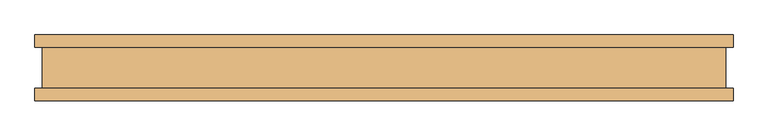
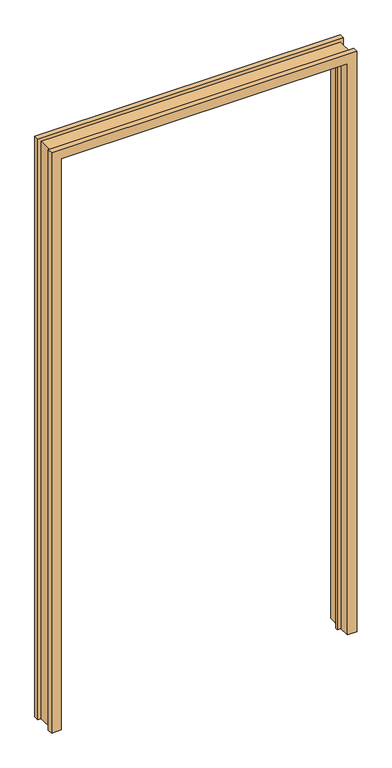
"""IFC4 building model written with IfcOpenShell, lengths in millimetres: door geometry."""

import ifcopenshell
import ifcopenshell.guid

model = None  # the IFC model being written
_history = None  # IfcOwnerHistory: only IFC2X3 demands one
_inside = {}  # id of a spatial element -> (the spatial element, [elements in it])
_under = {}  # id of a project, library or spatial element -> (it, [spatial elements below it])
_declared = {}  # id of a project -> (the project, [libraries it declares])
_typed = {}  # id of a type object -> (the type object, [elements of that type])
_made_of = {}  # id of a material, layer set ... -> (it, [elements and type objects made of it])


def new_model(schema):
    """Start an empty IFC model of exactly this schema.

    Asked for "IFC4X3", IfcOpenShell would pick the latest addendum, in which some entities
    have other attributes; the version numbers below select the first issue.
    IFC2X3 requires an IfcOwnerHistory on every rooted entity: one is made here for all.
    """
    global model, _history
    if schema == "IFC4X3":
        model = ifcopenshell.file(schema_version=(4, 3, 0, 0))
    else:
        model = ifcopenshell.file(schema=schema)
    _inside.clear()
    _under.clear()
    _declared.clear()
    _typed.clear()
    _made_of.clear()
    _history = None
    if model.schema == "IFC2X3":
        org = make("IfcOrganization", Name="unknown")
        user = make(
            "IfcPersonAndOrganization",
            ThePerson=make("IfcPerson", FamilyName="unknown"),
            TheOrganization=org,
        )
        app = make(
            "IfcApplication",
            ApplicationDeveloper=org,
            Version="unknown",
            ApplicationFullName="unknown",
            ApplicationIdentifier="unknown",
        )
        _history = make(
            "IfcOwnerHistory",
            OwningUser=user,
            OwningApplication=app,
            ChangeAction="ADDED",
            CreationDate=0,
        )
    return model


def make(cls, **values):
    """One entity of the class cls with the attributes given. An attribute that is None is left unset."""
    return model.create_entity(
        cls, **{name: value for name, value in values.items() if value is not None}
    )


def rooted(cls, **values):
    """An entity with a GlobalId (a new one), such as an element, a storey or a relation."""
    return make(cls, GlobalId=ifcopenshell.guid.new(), OwnerHistory=_history, **values)


def si_unit(unit_type, name, prefix=None):
    """IfcSIUnit, for example si_unit("LENGTHUNIT", "METRE", prefix="MILLI")."""
    return make("IfcSIUnit", UnitType=unit_type, Prefix=prefix, Name=name)


def assignment(units):
    """IfcUnitAssignment: the units of a project."""
    return None if units is None else make("IfcUnitAssignment", Units=units)


def point(xyz):
    """IfcCartesianPoint."""
    return None if xyz is None else make("IfcCartesianPoint", Coordinates=xyz)


def direction(xyz):
    """IfcDirection."""
    return None if xyz is None else make("IfcDirection", DirectionRatios=xyz)


def frame(location, z_axis=None, x_axis=None):
    """IfcAxis2Placement3D, a coordinate frame: its origin and axes. An axis left out is left unset."""
    return make(
        "IfcAxis2Placement3D",
        Location=point(location),
        Axis=direction(z_axis),
        RefDirection=direction(x_axis),
    )


def origin():
    """The frame at (0, 0, 0) with its axes left unset."""
    return frame((0.0, 0.0, 0.0))


def place(relative_to, where):
    """IfcLocalPlacement: puts the frame where relative to a parent placement (None: the world)."""
    return make(
        "IfcLocalPlacement", PlacementRelTo=relative_to, RelativePlacement=where
    )


def context(
    kind, dimensions, precision=None, world=None, true_north=None, identifier=None
):
    """IfcGeometricRepresentationContext, for example the 3D "Model" context."""
    return make(
        "IfcGeometricRepresentationContext",
        ContextIdentifier=identifier,
        ContextType=kind,
        CoordinateSpaceDimension=dimensions,
        Precision=precision,
        WorldCoordinateSystem=world,
        TrueNorth=true_north,
    )


def project(units=None, contexts=None):
    """IfcProject with its units and contexts."""
    return rooted(
        "IfcProject",
        Name="project",
        RepresentationContexts=contexts,
        UnitsInContext=assignment(units),
    )


def spatial(cls, under=None, at=None, **own):
    """A site, building, storey or space (cls), placed at a placement, below another one or the project."""
    s = rooted(cls, ObjectPlacement=at, **own)
    if under is not None:
        _under.setdefault(under.id(), (under, []))[1].append(s)
    return s


def faces_of(points, faces, orient=None, outer=None):
    """IfcFace entities. A face is a list of loops; a loop is a list of indices into points, from 0.

    orient and outer hold one flag for each loop. By default every Orientation is true, the
    first loop of a face is its IfcFaceOuterBound and the others are IfcFaceBound.
    """
    made = []
    for i, loops in enumerate(faces):
        bounds = []
        for j, loop in enumerate(loops):
            is_outer = j == 0 if outer is None else outer[i][j]
            bounds.append(
                make(
                    "IfcFaceOuterBound" if is_outer else "IfcFaceBound",
                    Bound=make("IfcPolyLoop", Polygon=[points[k] for k in loop]),
                    Orientation=True if orient is None else orient[i][j],
                )
            )
        made.append(make("IfcFace", Bounds=bounds))
    return made


def faceted_brep(points, faces, orient=None, outer=None, voids=None):
    """IfcFacetedBrep: a solid bounded by flat faces; with voids (closed shells), ...WithVoids."""
    shared = [point(p) for p in points]
    hull = make("IfcClosedShell", CfsFaces=faces_of(shared, faces, orient, outer))
    if voids is None:
        return make("IfcFacetedBrep", Outer=hull)
    return make(
        "IfcFacetedBrepWithVoids",
        Outer=hull,
        Voids=[
            make(cls, CfsFaces=faces_of(shared, fs, o, b)) for cls, fs, o, b in voids
        ],
    )


def shape(context_of_items, identifier, shape_type, items):
    """IfcShapeRepresentation: the items that make up one representation, for example the "Body"."""
    return make(
        "IfcShapeRepresentation",
        ContextOfItems=context_of_items,
        RepresentationIdentifier=identifier,
        RepresentationType=shape_type,
        Items=items,
    )


def source(mapping_origin, context_of_items, identifier, shape_type, items):
    """IfcRepresentationMap: a shape defined once, which mapped items show again and again."""
    return make(
        "IfcRepresentationMap",
        MappingOrigin=mapping_origin,
        MappedRepresentation=shape(context_of_items, identifier, shape_type, items),
    )


def transform(
    local_origin,
    x_axis=None,
    y_axis=None,
    z_axis=None,
    scale=None,
    scale2=None,
    scale3=None,
    uniform=True,
):
    """IfcCartesianTransformationOperator3D, or its non-uniform kind. x_axis, y_axis, z_axis: its Axis1, 2, 3."""
    if uniform:
        return make(
            "IfcCartesianTransformationOperator3D",
            Axis1=direction(x_axis),
            Axis2=direction(y_axis),
            LocalOrigin=point(local_origin),
            Scale=scale,
            Axis3=direction(z_axis),
        )
    return make(
        "IfcCartesianTransformationOperator3DnonUniform",
        Axis1=direction(x_axis),
        Axis2=direction(y_axis),
        LocalOrigin=point(local_origin),
        Scale=scale,
        Axis3=direction(z_axis),
        Scale2=scale2,
        Scale3=scale3,
    )


def mapped(mapping_source, mapping_target):
    """IfcMappedItem: shows the shape of a source again, moved by a transform."""
    return make(
        "IfcMappedItem", MappingSource=mapping_source, MappingTarget=mapping_target
    )


def made_of(thing, what):
    """Note that an element or type object is made of a material, layer set ...; save() writes the relation."""
    if what is not None:
        _made_of.setdefault(what.id(), (what, []))[1].append(thing)
    return thing


def element(
    cls,
    number,
    at=None,
    inside=None,
    cuts=None,
    type_object=None,
    material=None,
    context=None,
    identifier="Body",
    shape_type=None,
    held_by="IfcProductDefinitionShape",
    body=None,
    shapes=None,
    **own,
):
    """One element of the class cls, such as IfcWall. Its Tag is "e" and its number.

    at: its placement. inside: the storey or other place that contains it. cuts: it is an
    opening in that element (IfcRelVoidsElement). A single representation is given by context,
    identifier, shape_type and body (its items); several are given by shapes. held_by: the class
    of the entity that holds the representations. save() writes the other relations.
    """
    e = rooted(cls, Tag="e%d" % number, ObjectPlacement=at, **own)
    if body is not None:
        shapes = [shape(context, identifier, shape_type, body)]
    if shapes is not None:
        e.Representation = make(held_by, Representations=shapes)
    if inside is not None:
        _inside.setdefault(inside.id(), (inside, []))[1].append(e)
    if cuts is not None:
        rooted(
            "IfcRelVoidsElement", RelatingBuildingElement=cuts, RelatedOpeningElement=e
        )
    if type_object is not None:
        _typed.setdefault(type_object.id(), (type_object, []))[1].append(e)
    return made_of(e, material)


def aggregate(whole, parts):
    """IfcRelAggregates: a whole, such as a stair, and the parts it consists of."""
    return rooted("IfcRelAggregates", RelatingObject=whole, RelatedObjects=parts)


def save(model, path):
    """Write the relations noted so far, then the file.

    IfcRelAggregates (storeys below a building ...), IfcRelContainedInSpatialStructure (elements
    in a storey), IfcRelDefinesByType, IfcRelAssociatesMaterial and IfcRelDeclares: one each for
    every whole, place, type object, material and project.
    """
    for whole, parts in _under.values():
        aggregate(whole, parts)
    for where, things in _inside.values():
        rooted(
            "IfcRelContainedInSpatialStructure",
            RelatedElements=things,
            RelatingStructure=where,
        )
    for kind, things in _typed.values():
        rooted("IfcRelDefinesByType", RelatedObjects=things, RelatingType=kind)
    for what, things in _made_of.values():
        rooted("IfcRelAssociatesMaterial", RelatedObjects=things, RelatingMaterial=what)
    for by, libraries in _declared.values():
        rooted("IfcRelDeclares", RelatingContext=by, RelatedDefinitions=libraries)
    model.write(path)


def door_5b6b8a17(model_context):
    return source(origin(), model_context, "Body", "Brep", [
        faceted_brep([(-531.6982, 31.447233, 0.0), (-531.6982, 49.989233, 0.0), (-498.6782, 49.989233, 0.0), (-498.6782, -2.6789063, 0.0), (-485.7242, -2.6789063, 0.0), (-485.7242, -10.907167, 0.0), (-498.6782, -10.907167, 0.0), (-498.6782, -50.010667, 0.0), (-531.6982, -50.010667, 0.0), (-531.6982, -31.468567, 0.0), (-520.7, -31.468567, 0.0), (-520.7, 31.447233, 0.0), (-531.6982, 31.447233, 2133.5925997), (-531.6982, 49.989233, 2133.5925997), (531.6982, 49.989233, 2133.5925997), (531.6982, 49.989233, 0.0), (498.6782, 49.989233, 0.0), (498.6782, 49.989233, 2100.5725997), (-498.6782, 49.989233, 2100.5725997), (-498.6782, -2.6789063, 2100.5725997), (498.6782, -2.6789063, 2100.5725997), (498.6782, -2.6789063, 0.0), (485.7242, -2.6789063, 0.0), (485.7242, -2.6789063, 2087.6185997), (-485.7242, -2.6789063, 2087.6185997), (-485.7242, -10.907167, 2087.6185997), (485.7242, -10.907167, 2087.6185997), (485.7242, -10.907167, 0.0), (498.6782, -10.907167, 0.0), (498.6782, -10.907167, 2100.5725997), (-498.6782, -10.907167, 2100.5725997), (-498.6782, -50.010667, 2100.5725997), (498.6782, -50.010667, 2100.5725997), (498.6782, -50.010667, 0.0), (531.6982, -50.010667, 0.0), (531.6982, -50.010667, 2133.5925997), (-531.6982, -50.010667, 2133.5925997), (-531.6982, -31.468567, 2133.5925997), (531.6982, -31.468567, 2133.5925997), (531.6982, -31.468567, 0.0), (520.7, -31.468567, 0.0), (520.7, -31.468567, 2122.5943997), (-520.7, -31.468567, 2122.5943997), (-520.7, 31.447233, 2122.5943997), (520.7, 31.447233, 2122.5943997), (520.7, 31.447233, 0.0), (531.6982, 31.447233, 0.0), (531.6982, 31.447233, 2133.5925997)], [[[0, 1, 2, 3, 4, 5, 6, 7, 8, 9, 10, 11]], [[1, 0, 12, 13]], [[2, 1, 13, 14, 15, 16, 17, 18]], [[3, 2, 18, 19]], [[4, 3, 19, 20, 21, 22, 23, 24]], [[5, 4, 24, 25]], [[6, 5, 25, 26, 27, 28, 29, 30]], [[7, 6, 30, 31]], [[8, 7, 31, 32, 33, 34, 35, 36]], [[9, 8, 36, 37]], [[10, 9, 37, 38, 39, 40, 41, 42]], [[11, 10, 42, 43]], [[0, 11, 43, 44, 45, 46, 47, 12]], [[32, 29, 28, 33]], [[46, 45, 40, 39, 34, 33, 28, 27, 22, 21, 16, 15]], [[44, 41, 40, 45]], [[26, 23, 22, 27]], [[20, 17, 16, 21]], [[14, 47, 46, 15]], [[38, 35, 34, 39]], [[31, 30, 29, 32]], [[43, 42, 41, 44]], [[25, 24, 23, 26]], [[19, 18, 17, 20]], [[13, 12, 47, 14]], [[37, 36, 35, 38]]]),
    ])


if __name__ == "__main__":
    model = new_model("IFC4")
    model_context = context("Model", 3, world=origin())
    ifc_project = project(units=[si_unit("LENGTHUNIT", "METRE", prefix="MILLI")], contexts=[model_context])
    site = spatial("IfcSite", under=ifc_project)
    building = spatial("IfcBuilding", under=site)
    placement = place(None, origin())
    door_shape = door_5b6b8a17(model_context)
    element("IfcDoor", 1, at=placement, inside=building, context=model_context, shape_type="MappedRepresentation", body=[
        mapped(door_shape, transform((0.0, 0.0, 0.0), x_axis=(1.0, 0.0, 0.0), y_axis=(0.0, 1.0, 0.0), z_axis=(0.0, 0.0, 1.0))),
    ])
    save(model, "model.ifc")
